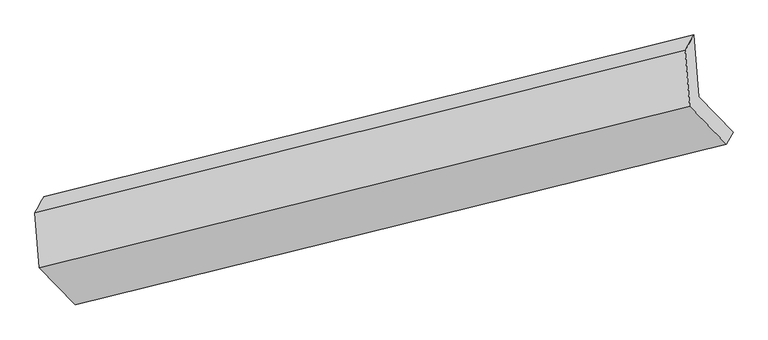
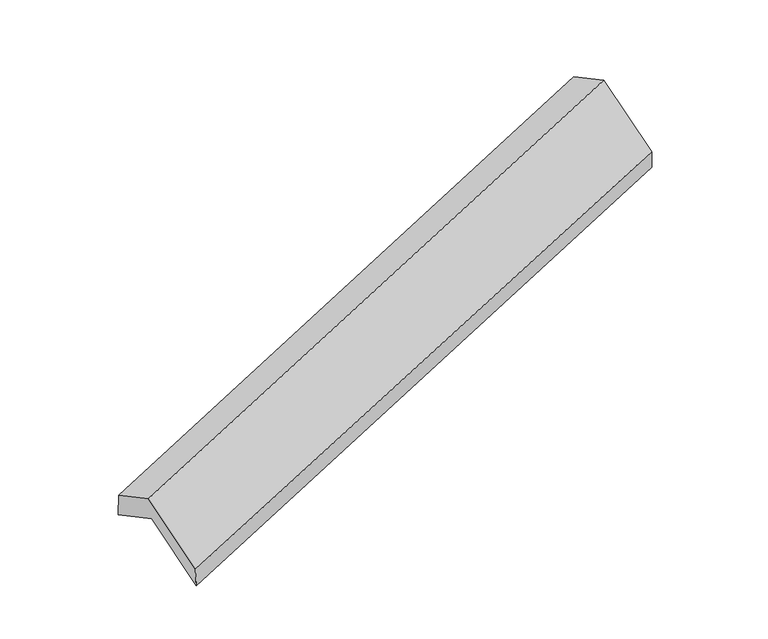
"""IFC4 building model written with IfcOpenShell, lengths in millimetres: proxy geometry."""

from ifc_helpers import new_model, si_unit, frame, origin, place, context, project, spatial, source, transform, mapped, element, save
from ifc_brep_helpers import plane_surface, spline_surface, advanced_brep


def generic_models_3f6ee818(model_context):
    return source(origin(), model_context, "Body", "AdvancedBrep", [
        advanced_brep(
        [(-4865.0269508, -2308.2935109, 803.0023734), (-5095.8993909, -2069.2194832, 1323.6345052), (-700.9044979, -979.0690869, 2783.8464344), (-470.0320578, -1218.1431145, 2263.2143026), (-5129.6894431, -1652.0477764, 1117.0853788), (-734.8382322, -560.1234822, 2576.4190197), (-5188.5040576, -1760.8387965, 1375.2609518), (-793.9992073, -664.6383364, 2832.4773869), (-5158.4250224, -2132.194317, 1559.12567), (-763.4301294, -1042.0439206, 3019.3375993), (-4915.1074306, -2384.155602, 1010.4289244), (-516.374742, -1297.8757839, 2462.2118853)],
        [
            (0, 1),
            (1, 2),
            (2, 3),
            (3, 0),
            (1, 4),
            (4, 5),
            (5, 2),
            (4, 6),
            (6, 7),
            (7, 5),
            (6, 8),
            (8, 9),
            (9, 7),
            (8, 10),
            (10, 11),
            (11, 9),
            (10, 0),
            (3, 11),
        ],
        [
            plane_surface(frame((-4980.4631709, -2188.756497, 1063.3184393), z_axis=(-0.07434085311177588, 0.8933408813822887, -0.4431878915423219), x_axis=(-0.3737795607883508, 0.3870578273747971, 0.8428968372255109))),
            plane_surface(frame((-5112.794417, -1860.6336298, 1220.359942), z_axis=(0.3757222605256512, -0.3865810407603482, -0.8422516737116885), x_axis=(-0.07239748767514995, 0.893818787341421, -0.44254556734175765))),
            spline_surface(1, 1, [[(-5129.6894431, -1652.0477764, 1117.0853788), (-734.8382322, -560.1234822, 2576.4190197)], [(-5188.5040576, -1760.8387965, 1375.2609518), (-793.9992073, -664.6383364, 2832.4773869)]], [2, 2], [2, 2], [0.0, 1.0], [0.0, 1.0]),
            plane_surface(frame((-5173.46454, -1946.5165567, 1467.1933109), z_axis=(-0.3757222605256547, 0.3865810407603473, 0.8422516737116876), x_axis=(0.07239748767515007, -0.8938187873414211, 0.44254556734175765))),
            plane_surface(frame((-5036.7662265, -2258.1749595, 1284.7772972), z_axis=(0.07434085311177498, -0.893340881382288, 0.44318789154232396), x_axis=(0.3737795607883405, -0.3870578273748019, -0.8428968372255133))),
            spline_surface(1, 1, [[(-4915.1074306, -2384.155602, 1010.4289244), (-516.374742, -1297.8757839, 2462.2118853)], [(-4865.0269508, -2308.2935109, 803.0023734), (-470.0320578, -1218.1431145, 2263.2143026)]], [2, 2], [2, 2], [0.0, 1.0], [0.0, 1.0]),
            plane_surface(frame((-663.2631445, -960.3156207, 2656.2511047), z_axis=(0.9246877547124787, 0.22643810117426794, 0.3060691794699149), x_axis=(0.3737795607883405, -0.3870578273748019, -0.8428968372255133))),
            plane_surface(frame((-5058.7753826, -2051.1249143, 1198.0896339), z_axis=(-0.924687754712472, -0.22643810117431318, -0.3060691794699015), x_axis=(-0.22113467645311016, -0.33497560433126505, 0.9159098205461508))),
        ],
        [
            (0, [[1, 2, 3, 4]]),
            (1, [[5, 6, 7, -2]]),
            (2, [[8, 9, 10, -6]]),
            (3, [[11, 12, 13, -9]]),
            (4, [[14, 15, 16, -12]]),
            (5, [[17, -4, 18, -15]]),
            (6, [[-16, -18, -3, -7, -10, -13]]),
            (7, [[-17, -14, -11, -8, -5, -1]]),
        ],
    ),
    ])


if __name__ == "__main__":
    model = new_model("IFC4")
    model_context = context("Model", 3, world=origin())
    ifc_project = project(units=[si_unit("LENGTHUNIT", "METRE", prefix="MILLI")], contexts=[model_context])
    site = spatial("IfcSite", under=ifc_project)
    building = spatial("IfcBuilding", under=site)
    placement = place(None, origin())
    generic_models_shape = generic_models_3f6ee818(model_context)
    element("IfcBuildingElementProxy", 1, Name="Generic Models", at=placement, inside=building, context=model_context, shape_type="MappedRepresentation", body=[
        mapped(generic_models_shape, transform((0.0, 0.0, 0.0), x_axis=(1.0, 0.0, 0.0), y_axis=(0.0, 1.0, 0.0), z_axis=(0.0, 0.0, 1.0))),
    ])
    save(model, "model.ifc")
